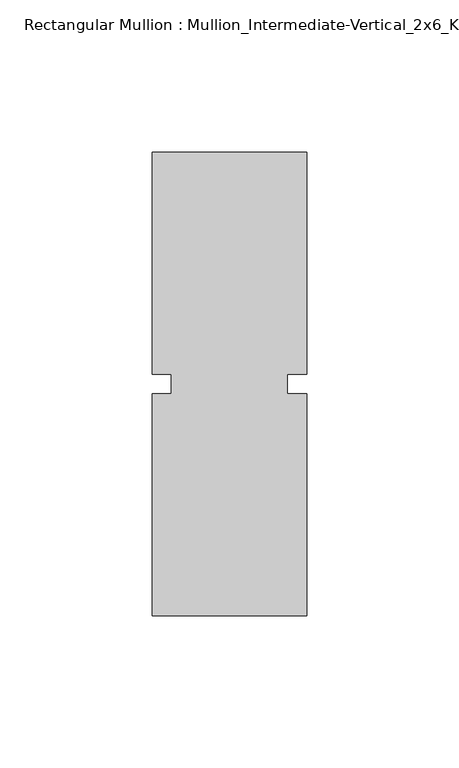
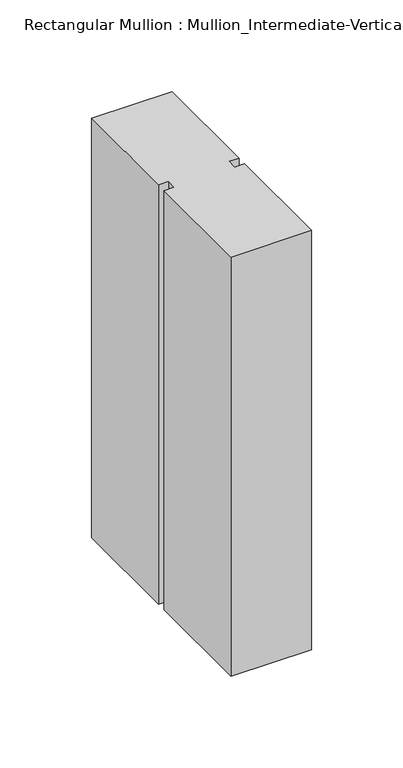
"""IFC4 building model written with IfcOpenShell, lengths in millimetres: member geometry, Rectangular Mullion : Mullion_Intermediate-Vertical_2x6_Kawneer."""

from ifc_helpers import new_model, si_unit, frame, origin, place, context, project, spatial, polyline, outline, extrude, source, transform, mapped, element, save


def rectangular_mullion_mullion_intermediate_vertical_2x6_499ab8c4(model_context):
    return source(origin(), model_context, "Body", "SweptSolid", [
        extrude(outline(polyline([(25.4, -76.2), (-25.4, -76.2), (-25.4, -3.175), (-19.05, -3.175), (-19.05, 3.175), (-25.4, 3.175), (-25.4, 76.2), (25.4, 76.2), (25.4, 3.175), (19.05, 3.175), (19.05, -3.175), (25.4, -3.175), (25.4, -76.2)])), frame((0.0, 0.0, -279.4), z_axis=(0.0, 0.0, 1.0), x_axis=(1.0, 0.0, 0.0)), (0.0, 0.0, 1.0), 279.4),
    ])


if __name__ == "__main__":
    model = new_model("IFC4")
    model_context = context("Model", 3, world=origin())
    ifc_project = project(units=[si_unit("LENGTHUNIT", "METRE", prefix="MILLI")], contexts=[model_context])
    site = spatial("IfcSite", under=ifc_project)
    building = spatial("IfcBuilding", under=site)
    placement = place(None, origin())
    rectangular_mullion_mullion_intermediate_vertical_2x6_shape = rectangular_mullion_mullion_intermediate_vertical_2x6_499ab8c4(model_context)
    element("IfcMember", 1, ObjectType="Rectangular Mullion : Mullion_Intermediate-Vertical_2x6_Kawneer", at=placement, inside=building, context=model_context, shape_type="MappedRepresentation", body=[
        mapped(rectangular_mullion_mullion_intermediate_vertical_2x6_shape, transform((0.0, 0.0, 0.0), x_axis=(1.0, 0.0, 0.0), y_axis=(0.0, 1.0, 0.0), z_axis=(0.0, 0.0, 1.0))),
    ])
    save(model, "model.ifc")
